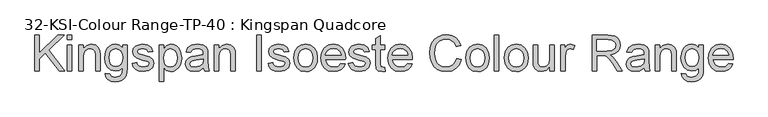
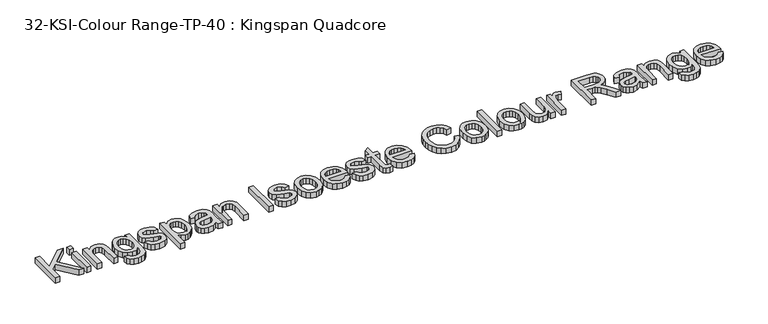
"""IFC4 building model written with IfcOpenShell, lengths in millimetres: proxy geometry, 32-KSI-Colour Range-TP-40 : Kingspan Quadcore."""

from ifc_helpers import new_model, si_unit, origin, origin_with_axes, place, context, project, spatial, polyline, outline, extrude, source, transform, mapped, element, save


def proxy_32_ksi_colour_range_tp_40_kingspan_quadcore_50a79cdf(model_context):
    return source(origin(), model_context, "Body", "SweptSolid", [
        extrude(outline(polyline([(-1457.4013121, 700.0), (-1457.4013121, 850.6844652), (-1438.5657539, 850.6844652), (-1438.5657539, 776.9241252), (-1361.310535, 850.6844652), (-1334.9701841, 850.6844652), (-1399.8277798, 788.7331372), (-1332.6157393, 700.0), (-1355.6451522, 700.0), (-1413.1818963, 776.0044202), (-1438.5657539, 751.7977849), (-1438.5657539, 700.0), (-1457.4013121, 700.0)])), origin_with_axes(), (0.0, 0.0, 1.0), 25.0),
        extrude(outline(polyline([(-1320.8435155, 831.8489071), (-1320.8435155, 850.6844652), (-1302.0079573, 850.6844652), (-1302.0079573, 831.8489071), (-1320.8435155, 831.8489071)])), origin_with_axes(), (0.0, 0.0, 1.0), 25.0),
        extrude(outline(polyline([(-1320.8435155, 700.0), (-1320.8435155, 810.6589041), (-1302.0079573, 810.6589041), (-1302.0079573, 700.0), (-1320.8435155, 700.0)])), origin_with_axes(), (0.0, 0.0, 1.0), 25.0),
        extrude(outline(polyline([(-1273.7546201, 700.0), (-1273.7546201, 810.6589041), (-1254.9190619, 810.6589041), (-1254.9190619, 795.2078604), (-1240.5164818, 808.5619768), (-1220.8531892, 813.0133489), (-1203.0660947, 809.4264995), (-1190.9259889, 800.0087204), (-1185.2790003, 786.1579633), (-1184.2857189, 767.9478045), (-1184.2857189, 700.0), (-1203.121277, 700.0), (-1203.121277, 765.4094187), (-1205.2917808, 782.0744731), (-1212.9621204, 790.8852469), (-1225.8931725, 794.1777908), (-1236.9250339, 792.3291837), (-1246.3290174, 786.7833627), (-1252.7715508, 776.0687996), (-1254.9190619, 758.7139664), (-1254.9190619, 700.0), (-1273.7546201, 700.0)])), origin_with_axes(), (0.0, 0.0, 1.0), 25.0),
        extrude(outline(polyline([(-1163.095716, 690.5822209), (-1144.2601578, 688.2277762), (-1138.1533167, 678.2949623), (-1119.8695815, 674.1011075), (-1100.592565, 678.8467853), (-1091.3955151, 692.1641135), (-1090.1079281, 714.1266686), (-1103.370074, 703.5316672), (-1119.5384877, 700.0), (-1138.9580585, 704.1110813), (-1153.4388136, 716.4443252), (-1162.4473239, 734.5257252), (-1165.4501607, 755.8812751), (-1160.0606895, 785.0727114), (-1153.4664047, 796.9231102), (-1144.4624929, 805.7292854), (-1133.3570552, 811.192333), (-1120.4581927, 813.0133489), (-1103.6551826, 808.8930706), (-1090.1079281, 796.5322355), (-1090.1079281, 810.6589041), (-1071.27237, 810.6589041), (-1071.27237, 715.11995), (-1072.5599569, 693.0608259), (-1076.4227179, 678.5340856), (-1083.0767835, 668.9001758), (-1092.7382844, 661.5195433), (-1105.1956884, 656.8290479), (-1120.2374635, 655.2655494), (-1137.7624421, 657.4682428), (-1151.5626154, 664.0763232), (-1160.4147759, 675.1081845), (-1163.095716, 690.5822209)]), holes=[polyline([(-1146.6146026, 757.1688621), (-1144.6050472, 739.8922039), (-1138.576381, 728.0142139), (-1129.5126883, 721.1302221), (-1118.3980535, 718.8355582), (-1107.3661922, 721.1164265), (-1098.2565143, 727.9590316), (-1092.1450747, 739.6852702), (-1090.1079281, 756.6170391), (-1092.2048555, 772.9464011), (-1098.4956376, 784.7048294), (-1107.7386727, 791.8095504), (-1118.6923591, 794.1777908), (-1129.448309, 791.8463386), (-1138.4660164, 784.8519822), (-1144.577456, 773.2682979), (-1146.6146026, 757.1688621)])]), origin_with_axes(), (0.0, 0.0, 1.0), 25.0),
        extrude(outline(polyline([(-1050.082367, 732.9622268), (-1031.2468089, 735.3166715), (-1028.2761618, 727.2600558), (-1022.5280056, 721.3371557), (-1002.5520133, 716.4811134), (-983.3485731, 720.9324855), (-977.0945792, 731.3803342), (-978.6672747, 736.1811942), (-983.3853613, 739.8416201), (-1002.7727425, 745.2126972), (-1031.1364443, 754.4281412), (-1043.5156734, 765.1886895), (-1047.7279223, 780.3822159), (-1044.3434079, 794.4169141), (-1035.1095698, 805.1406742), (-1023.1350109, 810.7140864), (-1006.929809, 813.0133489), (-984.0107607, 809.3161349), (-969.4426337, 799.3097446), (-962.9679106, 782.4055669), (-981.8034687, 780.0511222), (-988.8851971, 790.4437885), (-1005.458281, 794.1777908), (-1023.4844988, 790.6093354), (-1028.8923641, 782.2952023), (-1026.6482839, 776.8137606), (-1019.6217378, 772.656694), (-1003.3981418, 768.6467803), (-975.7518099, 759.7808242), (-962.9127283, 749.7376457), (-958.259021, 733.366897), (-963.7220687, 715.3406792), (-979.4858122, 702.2624743), (-1002.8095307, 697.6455552), (-1021.8014387, 699.8712413), (-1035.6613928, 706.5482995), (-1044.913625, 717.6031535), (-1050.082367, 732.9622268)])), origin_with_axes(), (0.0, 0.0, 1.0), 25.0),
        extrude(outline(polyline([(-937.0690181, 657.6199942), (-937.0690181, 810.6589041), (-918.23346, 810.6589041), (-918.23346, 792.191228), (-905.2104373, 807.8078187), (-887.625678, 813.0133489), (-874.8877639, 811.192333), (-863.7501365, 805.7292854), (-854.6818453, 796.9552998), (-848.1519399, 785.2014701), (-842.8912273, 756.1755807), (-844.3765509, 740.0669478), (-848.8325216, 725.6597692), (-856.1165851, 713.6852102), (-866.0861871, 704.8744364), (-877.6974626, 699.4527755), (-889.9065463, 697.6455552), (-906.2956892, 702.4832035), (-918.23346, 714.7152798), (-918.23346, 657.6199942), (-937.0690181, 657.6199942)]), holes=[polyline([(-918.23346, 754.4465353), (-916.1963134, 737.5607517), (-910.0848738, 725.7517397), (-901.0671664, 718.79877), (-890.3112165, 716.4811134), (-879.3805227, 718.8815434), (-870.1328891, 726.0828335), (-863.8283114, 738.3241068), (-861.7267855, 755.8444869), (-863.7777276, 772.6382999), (-869.930554, 784.6128589), (-878.9344658, 791.7865578), (-889.5386643, 794.1777908), (-900.1842496, 791.6348065), (-909.5330508, 784.0058536), (-916.0583577, 771.5300554), (-918.23346, 754.4465353)])]), origin_with_axes(), (0.0, 0.0, 1.0), 25.0),
        extrude(outline(polyline([(-751.0678814, 714.1266686), (-769.3332224, 701.3611634), (-789.5115498, 697.6455552), (-805.2523007, 699.8804384), (-816.8635762, 706.5850877), (-824.0234795, 716.7662219), (-826.410114, 729.4305596), (-822.8048704, 744.3297804), (-813.331909, 755.1455111), (-800.1433395, 761.3259286), (-783.8461671, 764.15862), (-751.178246, 770.6333431), (-751.0678814, 774.8271978), (-752.3646654, 783.2333014), (-756.2550175, 788.7331372), (-764.9554267, 792.8166274), (-777.0771384, 794.1777908), (-796.1334258, 790.5541531), (-805.220111, 777.6966774), (-824.0556692, 780.0511222), (-815.907083, 798.4452219), (-799.499546, 809.2241644), (-774.6491172, 813.0133489), (-751.8220394, 809.6656228), (-738.9277755, 801.2595192), (-733.1520282, 788.4756198), (-732.2323232, 771.9945065), (-732.2323232, 748.5604234), (-731.27583, 715.8373199), (-727.5234337, 700.0), (-746.3589918, 700.0), (-751.0678814, 714.1266686)]), holes=[polyline([(-751.0678814, 751.7977849), (-781.4549342, 746.0220376), (-797.660136, 742.968617), (-804.9993818, 738.0022101), (-807.5745558, 730.7549348), (-801.9643554, 720.5646035), (-785.5016361, 716.4811134), (-766.4453488, 720.9876678), (-754.1580901, 731.895369), (-751.178246, 746.463496), (-751.0678814, 751.7977849)])]), origin_with_axes(), (0.0, 0.0, 1.0), 25.0),
        extrude(outline(polyline([(-706.3334307, 700.0), (-706.3334307, 810.6589041), (-687.4978726, 810.6589041), (-687.4978726, 795.2078604), (-673.0952925, 808.5619768), (-653.4319998, 813.0133489), (-635.6449054, 809.4264995), (-623.5047995, 800.0087204), (-617.8578109, 786.1579633), (-616.8645295, 767.9478045), (-616.8645295, 700.0), (-635.7000877, 700.0), (-635.7000877, 765.4094187), (-637.8705914, 782.0744731), (-645.540931, 790.8852469), (-658.4719832, 794.1777908), (-669.5038445, 792.3291837), (-678.907828, 786.7833627), (-685.3503614, 776.0687996), (-687.4978726, 758.7139664), (-687.4978726, 700.0), (-706.3334307, 700.0)])), origin_with_axes(), (0.0, 0.0, 1.0), 25.0),
        extrude(outline(polyline([(-527.3956283, 700.0), (-527.3956283, 850.6844652), (-508.5600701, 850.6844652), (-508.5600701, 700.0), (-527.3956283, 700.0)])), origin_with_axes(), (0.0, 0.0, 1.0), 25.0),
        extrude(outline(polyline([(-480.3067329, 732.9622268), (-461.4711747, 735.3166715), (-458.5005276, 727.2600558), (-452.7523715, 721.3371557), (-432.7763791, 716.4811134), (-413.572939, 720.9324855), (-407.3189451, 731.3803342), (-408.8916406, 736.1811942), (-413.6097272, 739.8416201), (-432.9971083, 745.2126972), (-461.3608102, 754.4281412), (-473.7400393, 765.1886895), (-477.9522881, 780.3822159), (-474.5677738, 794.4169141), (-465.3339357, 805.1406742), (-453.3593768, 810.7140864), (-437.1541749, 813.0133489), (-414.2351266, 809.3161349), (-399.6669996, 799.3097446), (-393.1922764, 782.4055669), (-412.0278346, 780.0511222), (-419.109563, 790.4437885), (-435.6826469, 794.1777908), (-453.7088647, 790.6093354), (-459.11673, 782.2952023), (-456.8726498, 776.8137606), (-449.8461037, 772.656694), (-433.6225077, 768.6467803), (-405.9761758, 759.7808242), (-393.1370941, 749.7376457), (-388.4833869, 733.366897), (-393.9464345, 715.3406792), (-409.710178, 702.2624743), (-433.0338965, 697.6455552), (-452.0258045, 699.8712413), (-465.8857587, 706.5482995), (-475.1379909, 717.6031535), (-480.3067329, 732.9622268)])), origin_with_axes(), (0.0, 0.0, 1.0), 25.0),
        extrude(outline(polyline([(-372.0022735, 755.3294521), (-367.9279804, 782.0100938), (-355.7051011, 800.7628785), (-340.6035452, 809.9507313), (-322.5221452, 813.0133489), (-302.7346924, 809.2839452), (-286.9295621, 798.095734), (-276.5690854, 780.3316322), (-273.1155932, 756.8745565), (-274.6423035, 737.8458603), (-279.2224343, 723.3605067), (-286.7226285, 712.5125864), (-297.0095288, 704.3961898), (-309.2278096, 699.3332139), (-322.5221452, 697.6455552), (-342.5487213, 701.3611634), (-358.3354574, 712.5079878), (-368.5855695, 730.6445702), (-372.0022735, 755.3294521)]), holes=[polyline([(-353.1667154, 755.3662403), (-350.9870145, 738.3195083), (-344.4479121, 726.174804), (-334.6070687, 718.904536), (-322.5221452, 716.4811134), (-310.4924039, 718.9183316), (-300.6699547, 726.2299863), (-294.1308522, 738.535639), (-291.9511514, 755.9548515), (-294.1446478, 772.5049427), (-300.725137, 784.4841002), (-310.5613818, 791.7543681), (-322.5221452, 794.1777908), (-334.6070687, 791.7635652), (-344.4479121, 784.5208884), (-350.9870145, 772.4037752), (-353.1667154, 755.3662403)])]), origin_with_axes(), (0.0, 0.0, 1.0), 25.0),
        extrude(outline(polyline([(-174.4496421, 732.9622268), (-155.981966, 730.607782), (-162.6360315, 716.6926455), (-173.2540256, 706.2907821), (-187.5968249, 699.806862), (-205.4253061, 697.6455552), (-227.525817, 701.374959), (-244.5311622, 712.5631701), (-255.374484, 730.4836218), (-258.9889246, 754.4097471), (-255.3376958, 779.1406142), (-244.3840094, 797.6358815), (-227.6085904, 809.1689821), (-206.4921639, 813.0133489), (-186.0333264, 809.1781791), (-169.6855703, 797.6726697), (-158.9664086, 779.2141906), (-155.3933548, 754.5201117), (-155.5037194, 749.4433402), (-240.1533665, 749.4433402), (-236.8930123, 735.3442627), (-229.3192417, 724.9791875), (-218.3885479, 718.6056319), (-205.0574241, 716.4811134), (-186.589748, 720.4174507), (-174.4496421, 732.9622268)]), holes=[polyline([(-240.1533665, 768.2788983), (-174.2289129, 768.2788983), (-176.7764957, 778.2301063), (-181.7704938, 785.3486229), (-192.7517714, 791.9704988), (-206.5657403, 794.1777908), (-219.2622677, 792.4165557), (-229.7607001, 787.1328506), (-237.0585592, 778.8968924), (-240.1533665, 768.2788983)])]), origin_with_axes(), (0.0, 0.0, 1.0), 25.0),
        extrude(outline(polyline([(-143.6211309, 732.9622268), (-124.7855728, 735.3166715), (-121.8149257, 727.2600558), (-116.0667695, 721.3371557), (-96.0907771, 716.4811134), (-76.887337, 720.9324855), (-70.6333431, 731.3803342), (-72.2060386, 736.1811942), (-76.9241252, 739.8416201), (-96.3115063, 745.2126972), (-124.6752082, 754.4281412), (-137.0544373, 765.1886895), (-141.2666861, 780.3822159), (-137.8821718, 794.4169141), (-128.6483337, 805.1406742), (-116.6737748, 810.7140864), (-100.4685729, 813.0133489), (-77.5495246, 809.3161349), (-62.9813976, 799.3097446), (-56.5066745, 782.4055669), (-75.3422326, 780.0511222), (-82.423961, 790.4437885), (-98.9970449, 794.1777908), (-117.0232627, 790.6093354), (-122.431128, 782.2952023), (-120.1870478, 776.8137606), (-113.1605017, 772.656694), (-96.9369057, 768.6467803), (-69.2905738, 759.7808242), (-56.4514922, 749.7376457), (-51.7977849, 733.366897), (-57.2608325, 715.3406792), (-73.024576, 702.2624743), (-96.3482945, 697.6455552), (-115.3402025, 699.8712413), (-129.2001567, 706.5482995), (-138.4523889, 717.6031535), (-143.6211309, 732.9622268)])), origin_with_axes(), (0.0, 0.0, 1.0), 25.0),
        extrude(outline(polyline([(9.4177791, 715.7085612), (11.7722238, 699.448177), (-2.3176566, 697.6455552), (-18.0997942, 700.7725522), (-25.9724689, 708.9763207), (-28.2533372, 730.3502646), (-28.2533372, 791.823346), (-42.3800058, 791.823346), (-42.3800058, 810.6589041), (-28.2533372, 810.6589041), (-28.2533372, 837.551078), (-9.4177791, 848.6243261), (-9.4177791, 810.6589041), (9.4177791, 810.6589041), (9.4177791, 791.823346), (-9.4177791, 791.823346), (-9.4177791, 730.9020876), (-8.4244977, 721.1900029), (-5.2055302, 717.7503063), (1.2140106, 716.4811134), (9.4177791, 715.7085612)])), origin_with_axes(), (0.0, 0.0, 1.0), 25.0),
        extrude(outline(polyline([(105.7292854, 732.9622268), (124.1969616, 730.607782), (117.542896, 716.6926455), (106.9249019, 706.2907821), (92.5821026, 699.806862), (74.7536214, 697.6455552), (52.6531106, 701.374959), (35.6477653, 712.5631701), (24.8044435, 730.4836218), (21.1900029, 754.4097471), (24.8412317, 779.1406142), (35.7949181, 797.6358815), (52.5703371, 809.1689821), (73.6867636, 813.0133489), (94.1456011, 809.1781791), (110.4933573, 797.6726697), (121.2125189, 779.2141906), (124.7855728, 754.5201117), (124.6752082, 749.4433402), (40.0255611, 749.4433402), (43.2859153, 735.3442627), (50.8596858, 724.9791875), (61.7903796, 718.6056319), (75.1215034, 716.4811134), (93.5891796, 720.4174507), (105.7292854, 732.9622268)]), holes=[polyline([(40.0255611, 768.2788983), (105.9500146, 768.2788983), (103.4024318, 778.2301063), (98.4084337, 785.3486229), (87.4271562, 791.9704988), (73.6131872, 794.1777908), (60.9166599, 792.4165557), (50.4182274, 787.1328506), (43.1203684, 778.8968924), (40.0255611, 768.2788983)])]), origin_with_axes(), (0.0, 0.0, 1.0), 25.0),
        extrude(outline(polyline([(310.7867095, 753.5636185), (329.6222677, 748.7075762), (320.9310555, 726.7588166), (307.2918306, 710.7237602), (289.3759774, 700.9151065), (267.8548807, 697.6455552), (246.0072887, 700.1195616), (228.6570541, 707.5415809), (215.35812, 719.6540956), (205.6644294, 736.1995883), (199.7461278, 755.6513488), (197.7733606, 776.4826668), (200.0036452, 798.454419), (206.694499, 817.4279329), (217.4964341, 832.8008017), (232.0599626, 843.9706188), (249.3320222, 850.7718372), (268.2595509, 853.03891), (288.9115264, 850.1050511), (305.9858495, 841.3034743), (318.9490913, 827.1768057), (327.2678229, 808.2676712), (308.4322648, 803.7795108), (301.9023593, 817.5153048), (292.981221, 826.9376824), (281.558485, 832.3869345), (267.5237869, 834.2033518), (251.3461762, 832.1891979), (238.0564391, 826.1467361), (227.9718739, 816.710563), (221.4097788, 804.5152748), (216.6089188, 776.519455), (218.029863, 759.1186366), (222.2926956, 744.072263), (229.558365, 731.9551498), (239.9878196, 723.3421126), (252.4912089, 718.1963632), (265.9786825, 716.4811134), (281.7010393, 718.8171641), (294.8022368, 725.8253161), (304.693664, 737.431993), (310.7867095, 753.5636185)])), origin_with_axes(), (0.0, 0.0, 1.0), 25.0),
        extrude(outline(polyline([(348.4578258, 755.3294521), (352.5321189, 782.0100938), (364.7549982, 800.7628785), (379.8565541, 809.9507313), (397.9379542, 813.0133489), (417.725407, 809.2839452), (433.5305372, 798.095734), (443.8910139, 780.3316322), (447.3445061, 756.8745565), (445.8177959, 737.8458603), (441.237665, 723.3605067), (433.7374708, 712.5125864), (423.4505705, 704.3961898), (411.2322898, 699.3332139), (397.9379542, 697.6455552), (377.9113781, 701.3611634), (362.124642, 712.5079878), (351.8745299, 730.6445702), (348.4578258, 755.3294521)]), holes=[polyline([(367.293384, 755.3662403), (369.4730848, 738.3195083), (376.0121873, 726.174804), (385.8530306, 718.904536), (397.9379542, 716.4811134), (409.9676954, 718.9183316), (419.7901447, 726.2299863), (426.3292472, 738.535639), (428.508948, 755.9548515), (426.3154516, 772.5049427), (419.7349624, 784.4841002), (409.8987176, 791.7543681), (397.9379542, 794.1777908), (385.8530306, 791.7635652), (376.0121873, 784.5208884), (369.4730848, 772.4037752), (367.293384, 755.3662403)])]), origin_with_axes(), (0.0, 0.0, 1.0), 25.0),
        extrude(outline(polyline([(468.5345091, 700.0), (468.5345091, 850.6844652), (487.3700672, 850.6844652), (487.3700672, 700.0), (468.5345091, 700.0)])), origin_with_axes(), (0.0, 0.0, 1.0), 25.0),
        extrude(outline(polyline([(510.9145149, 755.3294521), (514.988808, 782.0100938), (527.2116873, 800.7628785), (542.3132432, 809.9507313), (560.3946433, 813.0133489), (580.1820961, 809.2839452), (595.9872263, 798.095734), (606.347703, 780.3316322), (609.8011952, 756.8745565), (608.2744849, 737.8458603), (603.6943541, 723.3605067), (596.1941599, 712.5125864), (585.9072596, 704.3961898), (573.6889789, 699.3332139), (560.3946433, 697.6455552), (540.3680671, 701.3611634), (524.581331, 712.5079878), (514.3312189, 730.6445702), (510.9145149, 755.3294521)]), holes=[polyline([(529.7500731, 755.3662403), (531.9297739, 738.3195083), (538.4688763, 726.174804), (548.3097197, 718.904536), (560.3946433, 716.4811134), (572.4243845, 718.9183316), (582.2468338, 726.2299863), (588.7859362, 738.535639), (590.9656371, 755.9548515), (588.7721407, 772.5049427), (582.1916515, 784.4841002), (572.3554066, 791.7543681), (560.3946433, 794.1777908), (548.3097197, 791.7635652), (538.4688763, 784.5208884), (531.9297739, 772.4037752), (529.7500731, 755.3662403)])]), origin_with_axes(), (0.0, 0.0, 1.0), 25.0),
        extrude(outline(polyline([(701.6245412, 700.0), (701.6245412, 719.0194992), (686.8724732, 702.9890412), (667.6322448, 697.6455552), (649.9187268, 701.3979516), (637.7050445, 710.8157307), (632.0948441, 724.6848819), (630.9911981, 742.1960648), (630.9911981, 810.6589041), (649.8267563, 810.6589041), (649.8267563, 751.0620209), (650.9671905, 731.8585808), (658.4168009, 720.5829976), (672.451499, 716.4811134), (688.1784543, 720.6749681), (698.5711206, 732.0977041), (701.6245412, 753.0853719), (701.6245412, 810.6589041), (720.4600994, 810.6589041), (720.4600994, 700.0), (701.6245412, 700.0)])), origin_with_axes(), (0.0, 0.0, 1.0), 25.0),
        extrude(outline(polyline([(746.3589918, 700.0), (746.3589918, 810.6589041), (762.8401052, 810.6589041), (762.8401052, 794.2881554), (774.5387526, 809.3713172), (786.3109765, 813.0133489), (805.220111, 807.2008134), (798.9293289, 790.3150298), (785.6855771, 794.1777908), (775.0353933, 790.4621826), (768.2479705, 780.1614867), (765.19455, 758.1621434), (765.19455, 700.0), (746.3589918, 700.0)])), origin_with_axes(), (0.0, 0.0, 1.0), 25.0),
        extrude(outline(polyline([(878.2078989, 700.0), (878.2078989, 850.6844652), (943.139071, 850.6844652), (973.2870005, 846.6193692), (982.5668239, 840.9907747), (989.7681139, 832.2351832), (994.3896315, 821.3780658), (995.9301373, 809.4448936), (993.377956, 794.6008551), (985.721412, 782.2952023), (972.730579, 773.2728964), (954.1755309, 768.2788983), (964.8808969, 760.2222826), (980.1479997, 740.8349015), (1005.27434, 700.0), (983.3853613, 700.0), (963.777251, 731.2331814), (949.6137941, 751.9081495), (939.6625862, 761.6754165), (930.7046596, 765.2622659), (919.7785643, 765.9244535), (897.043457, 765.9244535), (897.043457, 700.0), (878.2078989, 700.0)]), holes=[polyline([(897.043457, 784.7600117), (939.2027337, 784.7600117), (960.7054363, 787.4271562), (972.9191185, 795.9620184), (977.0945792, 808.7459178), (975.1034179, 817.9337706), (969.129934, 825.3373958), (958.8522308, 830.2210292), (943.9484114, 831.8489071), (897.043457, 831.8489071), (897.043457, 784.7600117)])]), origin_with_axes(), (0.0, 0.0, 1.0), 25.0),
        extrude(outline(polyline([(1097.1712624, 714.1266686), (1078.9059214, 701.3611634), (1058.7275939, 697.6455552), (1042.9868431, 699.8804384), (1031.3755676, 706.5850877), (1024.2156642, 716.7662219), (1021.8290298, 729.4305596), (1025.4342734, 744.3297804), (1034.9072347, 755.1455111), (1048.0958043, 761.3259286), (1064.3929766, 764.15862), (1097.0608978, 770.6333431), (1097.1712624, 774.8271978), (1095.8744784, 783.2333014), (1091.9841263, 788.7331372), (1083.2837171, 792.8166274), (1071.1620054, 794.1777908), (1052.105718, 790.5541531), (1043.0190327, 777.6966774), (1024.1834746, 780.0511222), (1032.3320608, 798.4452219), (1048.7395978, 809.2241644), (1073.5900265, 813.0133489), (1096.4171043, 809.6656228), (1109.3113683, 801.2595192), (1115.0871156, 788.4756198), (1116.0068206, 771.9945065), (1116.0068206, 748.5604234), (1116.9633138, 715.8373199), (1120.7157101, 700.0), (1101.880152, 700.0), (1097.1712624, 714.1266686)]), holes=[polyline([(1097.1712624, 751.7977849), (1066.7842096, 746.0220376), (1050.5790077, 742.968617), (1043.2397619, 738.0022101), (1040.664588, 730.7549348), (1046.2747884, 720.5646035), (1062.7375077, 716.4811134), (1081.793795, 720.9876678), (1094.0810537, 731.895369), (1097.0608978, 746.463496), (1097.1712624, 751.7977849)])]), origin_with_axes(), (0.0, 0.0, 1.0), 25.0),
        extrude(outline(polyline([(1141.905713, 700.0), (1141.905713, 810.6589041), (1160.7412712, 810.6589041), (1160.7412712, 795.2078604), (1175.1438513, 808.5619768), (1194.8071439, 813.0133489), (1212.5942384, 809.4264995), (1224.7343442, 800.0087204), (1230.3813329, 786.1579633), (1231.3746143, 767.9478045), (1231.3746143, 700.0), (1212.5390561, 700.0), (1212.5390561, 765.4094187), (1210.3685523, 782.0744731), (1202.6982127, 790.8852469), (1189.7671606, 794.1777908), (1178.7352993, 792.3291837), (1169.3313158, 786.7833627), (1162.8887823, 776.0687996), (1160.7412712, 758.7139664), (1160.7412712, 700.0), (1141.905713, 700.0)])), origin_with_axes(), (0.0, 0.0, 1.0), 25.0),
        extrude(outline(polyline([(1252.5646172, 690.5822209), (1271.4001753, 688.2277762), (1277.5070165, 678.2949623), (1295.7907516, 674.1011075), (1315.0677682, 678.8467853), (1324.264818, 692.1641135), (1325.552405, 714.1266686), (1312.2902591, 703.5316672), (1296.1218454, 700.0), (1276.7022746, 704.1110813), (1262.2215196, 716.4443252), (1253.2130092, 734.5257252), (1250.2101724, 755.8812751), (1255.5996436, 785.0727114), (1262.1939284, 796.9231102), (1271.1978402, 805.7292854), (1282.303278, 811.192333), (1295.2021404, 813.0133489), (1312.0051505, 808.8930706), (1325.552405, 796.5322355), (1325.552405, 810.6589041), (1344.3879632, 810.6589041), (1344.3879632, 715.11995), (1343.1003762, 693.0608259), (1339.2376152, 678.5340856), (1332.5835497, 668.9001758), (1322.9220488, 661.5195433), (1310.4646447, 656.8290479), (1295.4228696, 655.2655494), (1277.8978911, 657.4682428), (1264.0977177, 664.0763232), (1255.2455572, 675.1081845), (1252.5646172, 690.5822209)]), holes=[polyline([(1269.0457306, 757.1688621), (1271.055286, 739.8922039), (1277.0839522, 728.0142139), (1286.1476448, 721.1302221), (1297.2622796, 718.8355582), (1308.2941409, 721.1164265), (1317.4038188, 727.9590316), (1323.5152585, 739.6852702), (1325.552405, 756.6170391), (1323.4554776, 772.9464011), (1317.1646955, 784.7048294), (1307.9216604, 791.8095504), (1296.967974, 794.1777908), (1286.2120242, 791.8463386), (1277.1943168, 784.8519822), (1271.0828771, 773.2682979), (1269.0457306, 757.1688621)])]), origin_with_axes(), (0.0, 0.0, 1.0), 25.0),
        extrude(outline(polyline([(1450.1172486, 732.9622268), (1468.5849247, 730.607782), (1461.9308592, 716.6926455), (1451.3128651, 706.2907821), (1436.9700658, 699.806862), (1419.1415846, 697.6455552), (1397.0410737, 701.374959), (1380.0357285, 712.5631701), (1369.1924067, 730.4836218), (1365.5779661, 754.4097471), (1369.2291949, 779.1406142), (1380.1828813, 797.6358815), (1396.9583003, 809.1689821), (1418.0747268, 813.0133489), (1438.5335643, 809.1781791), (1454.8813204, 797.6726697), (1465.6004821, 779.2141906), (1469.1735359, 754.5201117), (1469.0631713, 749.4433402), (1384.4135242, 749.4433402), (1387.6738784, 735.3442627), (1395.247649, 724.9791875), (1406.1783428, 718.6056319), (1419.5094666, 716.4811134), (1437.9771427, 720.4174507), (1450.1172486, 732.9622268)]), holes=[polyline([(1384.4135242, 768.2788983), (1450.3379778, 768.2788983), (1447.790395, 778.2301063), (1442.7963969, 785.3486229), (1431.8151193, 791.9704988), (1418.0011504, 794.1777908), (1405.3046231, 792.4165557), (1394.8061906, 787.1328506), (1387.5083315, 778.8968924), (1384.4135242, 768.2788983)])]), origin_with_axes(), (0.0, 0.0, 1.0), 25.0),
    ])


if __name__ == "__main__":
    model = new_model("IFC4")
    model_context = context("Model", 3, world=origin())
    ifc_project = project(units=[si_unit("LENGTHUNIT", "METRE", prefix="MILLI")], contexts=[model_context])
    site = spatial("IfcSite", under=ifc_project)
    building = spatial("IfcBuilding", under=site)
    placement = place(None, origin())
    proxy_32_ksi_colour_range_tp_40_kingspan_quadcore_shape = proxy_32_ksi_colour_range_tp_40_kingspan_quadcore_50a79cdf(model_context)
    element("IfcBuildingElementProxy", 1, Name="32-KSI-Colour Range-TP-40 : Kingspan Quadcore", ObjectType="32-KSI-Colour Range-TP-40 : Kingspan Quadcore", at=placement, inside=building, context=model_context, shape_type="MappedRepresentation", body=[
        mapped(proxy_32_ksi_colour_range_tp_40_kingspan_quadcore_shape, transform((0.0, 0.0, 0.0), x_axis=(1.0, 0.0, 0.0), y_axis=(0.0, 1.0, 0.0), z_axis=(0.0, 0.0, 1.0))),
    ])
    save(model, "model.ifc")
